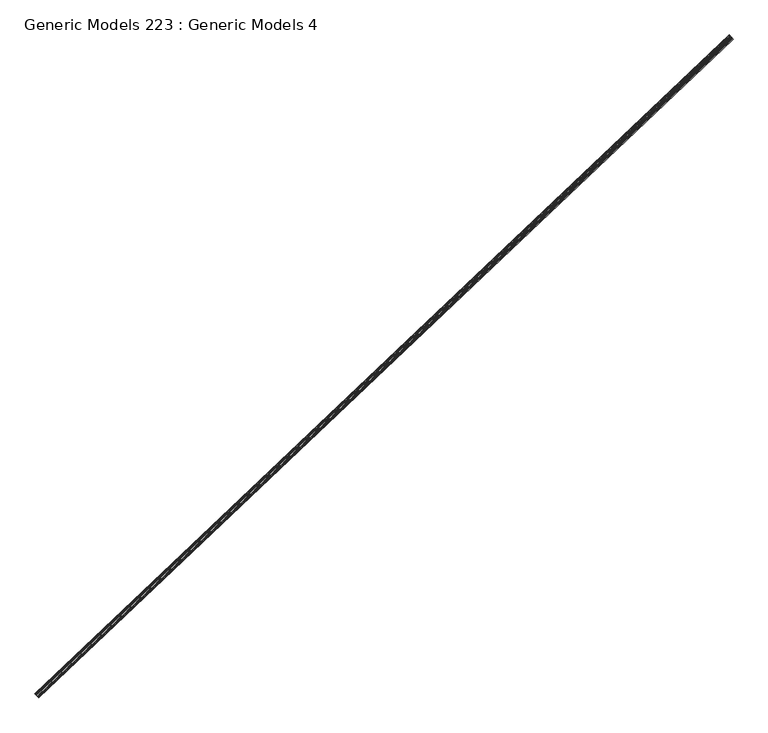
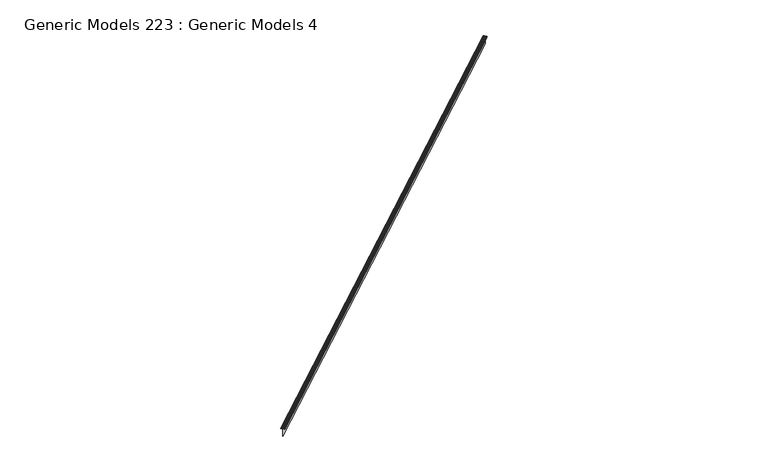
"""IFC4 building model written with IfcOpenShell, lengths in millimetres: proxy geometry, Generic Models 223 : Generic Models 4."""

from ifc_helpers import new_model, si_unit, point, frame, frame_2d, origin, place, context, project, spatial, polyline, circle_curve, trimmed, segment, composite_curve, outline, extrude, source, transform, mapped, element, save


def generic_models_223_generic_models_4_20b94113(model_context):
    return source(origin(), model_context, "Body", "SweptSolid", [
        extrude(outline(composite_curve([segment(polyline([(0.2907612, -20.2989113), (2.0904889, -16.9994106)]), True, "CONTINUOUS"), segment(trimmed(circle_curve(frame_2d((0.0, -15.859144)), 2.38125), [point((2.0904889, -16.9994106))], [point((2.38125, -15.859144))], True, "CARTESIAN"), True, "CONTINUOUS"), segment(polyline([(2.38125, -15.859144), (2.38125, -12.4158864)]), True, "CONTINUOUS"), segment(trimmed(circle_curve(frame_2d((-3.175, -12.4158864)), 5.55625), [point((2.38125, -12.4158864))], [point((1.9319996, -10.2271723))], True, "CARTESIAN"), True, "CONTINUOUS"), segment(polyline([(1.9319996, -10.2271723), (0.1925359, -6.1684237)]), True, "CONTINUOUS"), segment(trimmed(circle_curve(frame_2d((2.38125, -5.2304034)), 2.38125), [point((0.1925359, -6.1684237))], [point((0.0, -5.2304034))], False, "CARTESIAN"), True, "CONTINUOUS"), segment(polyline([(0.0, -5.2304034), (0.0, -2.778125), (-0.79375, -2.38125), (-7.14375, -2.38125), (-7.8241071, -1.5875), (-105.965625, -1.5875), (-107.15625, 0.0), (-105.965625, 1.5875), (-7.8241071, 1.5875), (-7.14375, 2.38125), (-0.79375, 2.38125), (0.0, 2.778125), (0.0, 5.2304034)]), True, "CONTINUOUS"), segment(trimmed(circle_curve(frame_2d((2.38125, 5.2304034)), 2.38125), [point((0.0, 5.2304034))], [point((0.1925359, 6.1684237))], False, "CARTESIAN"), True, "CONTINUOUS"), segment(polyline([(0.1925359, 6.1684237), (1.9319996, 10.2271724)]), True, "CONTINUOUS"), segment(trimmed(circle_curve(frame_2d((-3.175, 12.4158864)), 5.55625), [point((1.9319996, 10.2271724))], [point((2.38125, 12.4158864))], True, "CARTESIAN"), True, "CONTINUOUS"), segment(polyline([(2.38125, 12.4158864), (2.38125, 15.859144)]), True, "CONTINUOUS"), segment(trimmed(circle_curve(frame_2d((0.0, 15.859144)), 2.38125), [point((2.38125, 15.859144))], [point((2.0904889, 16.9994106))], True, "CARTESIAN"), True, "CONTINUOUS"), segment(polyline([(2.0904889, 16.9994106), (0.2907612, 20.2989114)]), True, "CONTINUOUS"), segment(trimmed(circle_curve(frame_2d((2.38125, 21.439178)), 2.38125), [point((0.2907612, 20.2989114))], [point((0.0, 21.439178))], False, "CARTESIAN"), True, "CONTINUOUS"), segment(polyline([(0.0, 21.439178), (0.0, 25.4), (0.79375, 25.4), (0.79375, 21.439178)]), True, "CONTINUOUS"), segment(trimmed(circle_curve(frame_2d((2.38125, 21.439178)), 1.5875), [point((0.79375, 21.439178))], [point((0.9875908, 20.6790003))], True, "CARTESIAN"), True, "CONTINUOUS"), segment(polyline([(0.9875908, 20.6790003), (2.7873185, 17.3794996)]), True, "CONTINUOUS"), segment(trimmed(circle_curve(frame_2d((0.0, 15.859144)), 3.175), [point((2.7873185, 17.3794996))], [point((3.175, 15.859144))], False, "CARTESIAN"), True, "CONTINUOUS"), segment(polyline([(3.175, 15.859144), (3.175, 12.4158864)]), True, "CONTINUOUS"), segment(trimmed(circle_curve(frame_2d((-3.175, 12.4158864)), 6.35), [point((3.175, 12.4158864))], [point((2.661571, 9.9144989))], False, "CARTESIAN"), True, "CONTINUOUS"), segment(polyline([(2.661571, 9.9144989), (0.79375, 5.55625), (0.79375, 4.7625001)]), True, "CONTINUOUS"), segment(trimmed(circle_curve(frame_2d((2.3688477, 1.8355469)), 3.3238513), [point((0.79375, 4.7625001))], [point((2.38125, 5.159375))], False, "CARTESIAN"), True, "CONTINUOUS"), segment(polyline([(2.38125, 5.159375), (3.175, 3.571875), (3.175, -3.571875), (2.38125, -5.159375)]), True, "CONTINUOUS"), segment(trimmed(circle_curve(frame_2d((2.3688477, -1.8355468)), 3.3238513), [point((2.38125, -5.159375))], [point((0.79375, -4.7624999))], False, "CARTESIAN"), True, "CONTINUOUS"), segment(polyline([(0.79375, -4.7624999), (0.79375, -5.55625), (2.661571, -9.9144988)]), True, "CONTINUOUS"), segment(trimmed(circle_curve(frame_2d((-3.175, -12.4158864)), 6.35), [point((2.661571, -9.9144988))], [point((3.175, -12.4158864))], False, "CARTESIAN"), True, "CONTINUOUS"), segment(polyline([(3.175, -12.4158864), (3.175, -15.859144)]), True, "CONTINUOUS"), segment(trimmed(circle_curve(frame_2d((0.0, -15.859144)), 3.175), [point((3.175, -15.859144))], [point((2.7873185, -17.3794995))], False, "CARTESIAN"), True, "CONTINUOUS"), segment(polyline([(2.7873185, -17.3794995), (0.9875908, -20.6790002)]), True, "CONTINUOUS"), segment(trimmed(circle_curve(frame_2d((2.38125, -21.4391779)), 1.5875), [point((0.9875908, -20.6790002))], [point((0.79375, -21.4391779))], True, "CARTESIAN"), True, "CONTINUOUS"), segment(polyline([(0.79375, -21.4391779), (0.79375, -25.4), (0.0, -25.4), (0.0, -21.4391779)]), True, "CONTINUOUS"), segment(trimmed(circle_curve(frame_2d((2.38125, -21.4391779)), 2.38125), [point((0.0, -21.4391779))], [point((0.2907612, -20.2989113))], False, "CARTESIAN"), True, "CONTINUOUS")], self_intersect=False)), frame((100500.3581406, 57264.8410221, 17377.8011814), z_axis=(0.7253743710122164, 0.6883545756938292, 0.0), x_axis=(0.0, 0.0, 1.0)), (0.0, 0.0, 1.0), 8321.675),
    ])


if __name__ == "__main__":
    model = new_model("IFC4")
    model_context = context("Model", 3, world=origin())
    ifc_project = project(units=[si_unit("LENGTHUNIT", "METRE", prefix="MILLI")], contexts=[model_context])
    site = spatial("IfcSite", under=ifc_project)
    building = spatial("IfcBuilding", under=site)
    placement = place(None, origin())
    generic_models_223_generic_models_4_shape = generic_models_223_generic_models_4_20b94113(model_context)
    element("IfcBuildingElementProxy", 1, Name="Generic Models 223 : Generic Models 4", ObjectType="Generic Models 223 : Generic Models 4", at=placement, inside=building, context=model_context, shape_type="MappedRepresentation", body=[
        mapped(generic_models_223_generic_models_4_shape, transform((0.0, 0.0, 0.0), x_axis=(1.0, 0.0, 0.0), y_axis=(0.0, 1.0, 0.0), z_axis=(0.0, 0.0, 1.0))),
    ])
    save(model, "model.ifc")
